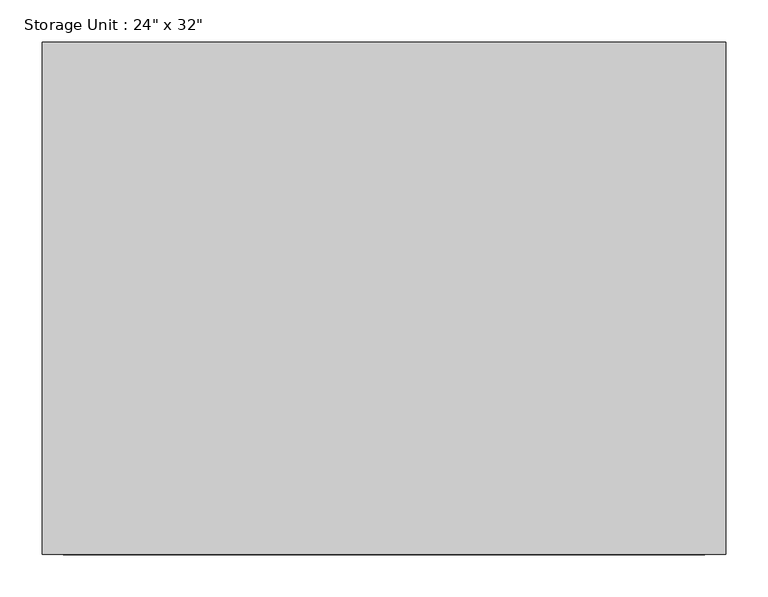
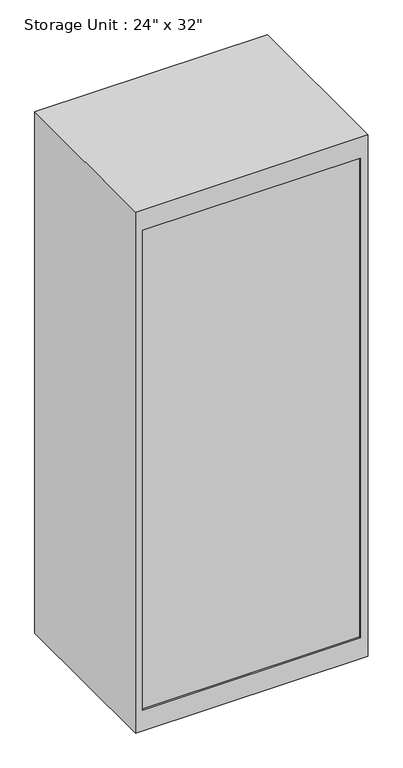
"""IFC4 building model written with IfcOpenShell, lengths in millimetres: furniture geometry."""

from ifc_helpers import new_model, si_unit, origin, place, context, project, spatial, faceted_brep, source, transform, mapped, element, save


def furniture_a66383b3(model_context):
    return source(origin(), model_context, "Body", "Brep", [
        faceted_brep([(406.4, -304.8, 1925.0), (406.4, 304.8, 1925.0), (-406.4, 304.8, 1925.0), (-406.4, -304.8, 1925.0), (406.4, -304.8, 0.0), (-406.4, -304.8, 0.0), (-406.4, 304.8, 0.0), (406.4, 304.8, 0.0), (381.0, -304.8, 1848.8), (381.0, -304.8, 76.2), (-381.0, -304.8, 76.2), (-381.0, -304.8, 1848.8), (381.0, -298.45, 76.2), (381.0, -298.45, 1848.8), (-381.0, -298.45, 1848.8), (-381.0, -298.45, 76.2)], [[[0, 1, 2, 3]], [[4, 5, 6, 7]], [[1, 0, 4, 7]], [[2, 1, 7, 6]], [[3, 2, 6, 5]], [[0, 3, 5, 4], [8, 9, 10, 11]], [[12, 13, 14, 15]], [[13, 12, 9, 8]], [[14, 13, 8, 11]], [[15, 14, 11, 10]], [[12, 15, 10, 9]]]),
    ])


if __name__ == "__main__":
    model = new_model("IFC4")
    model_context = context("Model", 3, world=origin())
    ifc_project = project(units=[si_unit("LENGTHUNIT", "METRE", prefix="MILLI")], contexts=[model_context])
    site = spatial("IfcSite", under=ifc_project)
    building = spatial("IfcBuilding", under=site)
    placement = place(None, origin())
    furniture_shape = furniture_a66383b3(model_context)
    element("IfcFurniture", 1, ObjectType="Storage Unit : 24\" x 32\"", at=placement, inside=building, context=model_context, shape_type="MappedRepresentation", body=[
        mapped(furniture_shape, transform((0.0, 0.0, 0.0), x_axis=(1.0, 0.0, 0.0), y_axis=(0.0, 1.0, 0.0), z_axis=(0.0, 0.0, 1.0))),
    ])
    save(model, "model.ifc")
